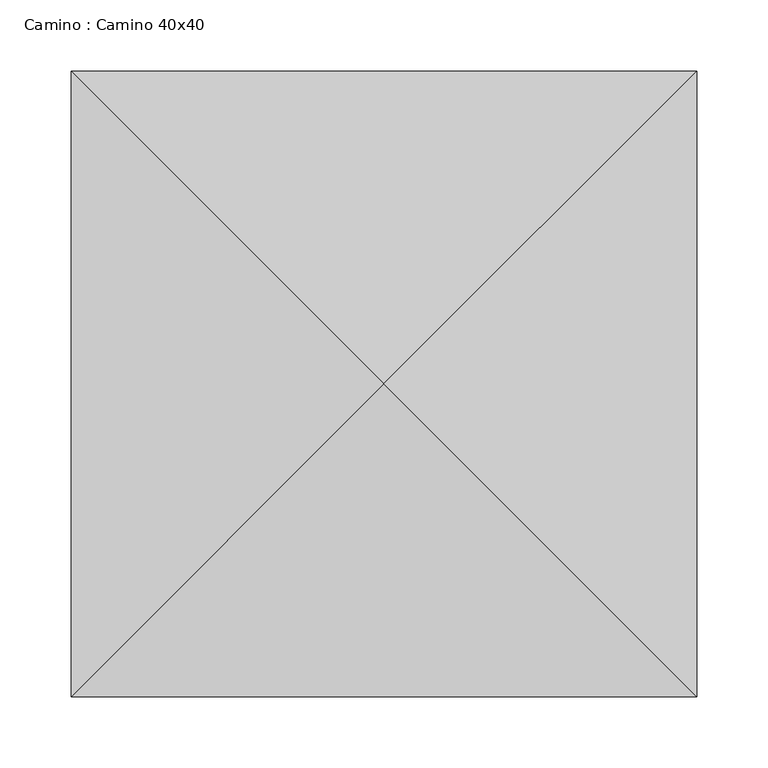
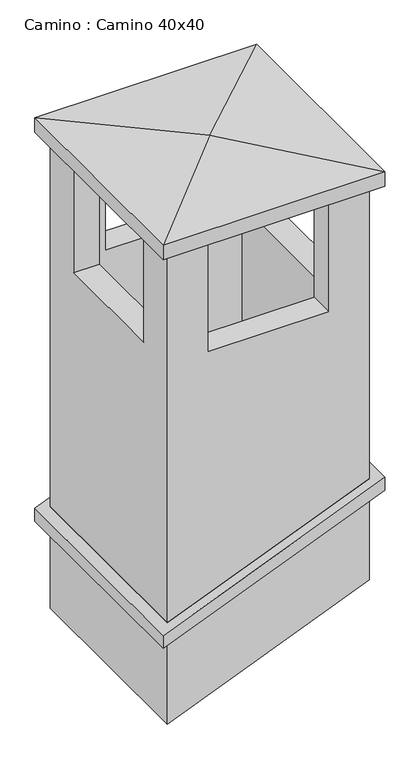
"""IFC4 building model written with IfcOpenShell, lengths in millimetres: proxy geometry, Camino : Camino 40x40."""

from ifc_helpers import new_model, si_unit, origin, place, context, project, spatial, faceted_brep, source, transform, mapped, element, save


def camino_camino_40x40_7eceef06(model_context):
    return source(origin(), model_context, "Body", "Brep", [
        faceted_brep([(219.5356454, 219.5356454, 4375.6615268), (219.5356454, 219.5356454, 4348.6981582), (-219.5356454, 219.5356454, 4171.3018418), (-219.5356454, 219.5356454, 4198.2652103), (219.5356454, -219.5356454, 4375.6615268), (-219.5356454, -219.5356454, 4198.2652103), (-219.5356454, -219.5356454, 4171.3018418), (219.5356454, -219.5356454, 4348.6981582), (-200.0, -200.0, 4206.1581234), (-200.0, 200.0, 4206.1581234), (200.0, 200.0, 4367.7686137), (200.0, -200.0, 4367.7686137), (200.0, -200.0, 4340.8052452), (200.0, 200.0, 4340.8052452), (-200.0, 200.0, 4179.1947548), (-200.0, -200.0, 4179.1947548)], [[[0, 1, 2, 3]], [[4, 5, 6, 7]], [[3, 5, 4, 0], [8, 9, 10, 11]], [[2, 6, 5, 3]], [[1, 7, 6, 2], [12, 13, 14, 15]], [[0, 4, 7, 1]], [[12, 15, 8, 11]], [[15, 14, 9, 8]], [[14, 13, 10, 9]], [[11, 10, 13, 12]]]),
        faceted_brep([(200.0, -200.0, 4155.8052452), (200.0, -200.0, 4367.7686137), (-200.0, -200.0, 4206.1581234), (-200.0, -200.0, 3994.1947548), (-200.0, 200.0, 4206.1581234), (-200.0, 200.0, 3994.1947548), (200.0, 200.0, 4367.7686137), (200.0, 200.0, 4155.8052452), (150.0, -150.0, 4135.6039339), (150.0, -150.0, 4347.5673024), (150.0, 150.0, 4347.5673024), (150.0, 150.0, 4135.6039339), (-150.0, 150.0, 4226.3594347), (-150.0, 150.0, 4014.3960661), (-150.0, -150.0, 4226.3594347), (-150.0, -150.0, 4014.3960661)], [[[0, 1, 2, 3]], [[3, 2, 4, 5]], [[5, 4, 6, 7]], [[7, 6, 1, 0]], [[8, 9, 10, 11]], [[11, 10, 12, 13]], [[13, 12, 14, 15]], [[15, 14, 9, 8]], [[3, 5, 7, 0], [11, 13, 15, 8]], [[1, 6, 4, 2], [9, 14, 12, 10]]]),
        faceted_brep([(219.5356454, 219.5356454, 4985.0), (-219.5356454, 219.5356454, 4985.0), (-219.5356454, 219.5356454, 5015.0), (219.5356454, 219.5356454, 5015.0), (219.5356454, -219.5356454, 4985.0), (219.5356454, -219.5356454, 5015.0), (-219.5356454, -219.5356454, 5015.0), (-219.5356454, -219.5356454, 4985.0), (0.0, 0.0, 5035.0)], [[[0, 1, 2, 3]], [[4, 5, 6, 7]], [[3, 5, 4, 0]], [[3, 8, 5]], [[6, 8, 2]], [[1, 7, 6, 2]], [[0, 4, 7, 1]], [[2, 8, 3]], [[5, 8, 6]]]),
        faceted_brep([(-120.0, -200.0, 4985.0), (-120.0, -150.0, 4985.0), (-150.0, -150.0, 4985.0), (-150.0, -120.0, 4985.0), (-200.0, -120.0, 4985.0), (-200.0, -200.0, 4985.0), (200.0, -200.0, 4985.0), (200.0, -120.0, 4985.0), (150.0, -120.0, 4985.0), (150.0, -150.0, 4985.0), (120.0, -150.0, 4985.0), (120.0, -200.0, 4985.0), (-200.0, 200.0, 4985.0), (-200.0, 120.0, 4985.0), (-150.0, 120.0, 4985.0), (-150.0, 150.0, 4985.0), (-120.0, 150.0, 4985.0), (-120.0, 200.0, 4985.0), (120.0, 200.0, 4985.0), (120.0, 150.0, 4985.0), (150.0, 150.0, 4985.0), (150.0, 120.0, 4985.0), (200.0, 120.0, 4985.0), (200.0, 200.0, 4985.0), (-200.0, -200.0, 4179.1947548), (200.0, -200.0, 4340.8052452), (120.0, -200.0, 4745.0), (-120.0, -200.0, 4745.0), (-200.0, 200.0, 4179.1947548), (-200.0, -120.0, 4745.0), (-200.0, 120.0, 4745.0), (-120.0, 200.0, 4745.0), (120.0, 200.0, 4745.0), (200.0, 200.0, 4340.8052452), (200.0, 120.0, 4745.0), (200.0, -120.0, 4745.0), (150.0, 150.0, 4320.6039339), (150.0, -150.0, 4320.6039339), (150.0, -120.0, 4745.0), (150.0, 120.0, 4745.0), (-150.0, 150.0, 4199.3960661), (120.0, 150.0, 4745.0), (-120.0, 150.0, 4745.0), (-150.0, 120.0, 4745.0), (-150.0, -120.0, 4745.0), (-150.0, -150.0, 4199.3960661), (-120.0, -150.0, 4745.0), (120.0, -150.0, 4745.0)], [[[0, 1, 2, 3, 4, 5]], [[6, 7, 8, 9, 10, 11]], [[12, 13, 14, 15, 16, 17]], [[18, 19, 20, 21, 22, 23]], [[5, 24, 25, 6, 11, 26, 27, 0]], [[12, 28, 24, 5, 4, 29, 30, 13]], [[17, 31, 32, 18, 23, 33, 28, 12]], [[22, 34, 35, 7, 6, 25, 33, 23]], [[20, 36, 37, 9, 8, 38, 39, 21]], [[15, 40, 36, 20, 19, 41, 42, 16]], [[14, 43, 44, 3, 2, 45, 40, 15]], [[1, 46, 47, 10, 9, 37, 45, 2]], [[31, 17, 16, 42]], [[46, 1, 0, 27]], [[27, 26, 47, 46]], [[42, 41, 32, 31]], [[26, 11, 10, 47]], [[41, 19, 18, 32]], [[34, 22, 21, 39]], [[43, 14, 13, 30]], [[30, 29, 44, 43]], [[39, 38, 35, 34]], [[29, 4, 3, 44]], [[38, 8, 7, 35]], [[24, 28, 33, 25], [36, 40, 45, 37]]]),
    ])


if __name__ == "__main__":
    model = new_model("IFC4")
    model_context = context("Model", 3, world=origin())
    ifc_project = project(units=[si_unit("LENGTHUNIT", "METRE", prefix="MILLI")], contexts=[model_context])
    site = spatial("IfcSite", under=ifc_project)
    building = spatial("IfcBuilding", under=site)
    placement = place(None, origin())
    camino_camino_40x40_shape = camino_camino_40x40_7eceef06(model_context)
    element("IfcBuildingElementProxy", 1, Name="Camino : Camino 40x40", ObjectType="Camino : Camino 40x40", at=placement, inside=building, context=model_context, shape_type="MappedRepresentation", body=[
        mapped(camino_camino_40x40_shape, transform((0.0, 0.0, 0.0), x_axis=(1.0, 0.0, 0.0), y_axis=(0.0, 1.0, 0.0), z_axis=(0.0, 0.0, 1.0))),
    ])
    save(model, "model.ifc")
